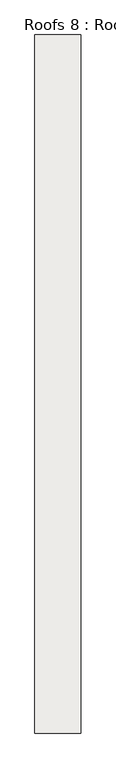
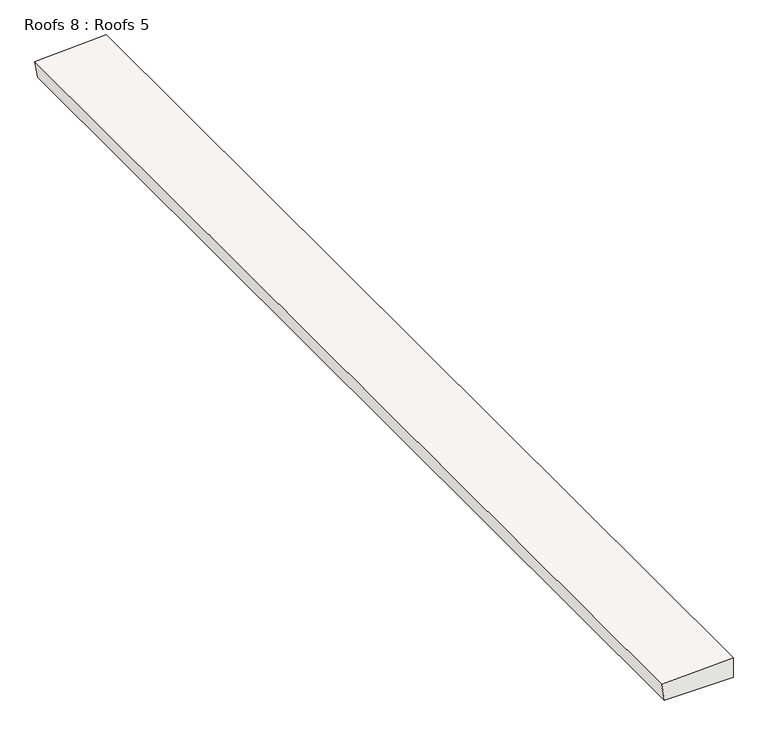
"""IFC4 building model written with IfcOpenShell, lengths in millimetres: roof geometry, Roofs 8 : Roofs 5."""

from ifc_helpers import new_model, si_unit, frame, origin, place, context, project, spatial, polyline, outline, extrude, source, transform, mapped, element, save


def roofs_8_roofs_5_c29686f7(model_context):
    return source(origin(), model_context, "Body", "SweptSolid", [
        extrude(outline(polyline([(-1721.0068927, -12602.1969605), (-1606.7068927, -12602.1969605), (-1624.1593373, -12991.4760789), (-1721.0068927, -12976.136933), (-1721.0068927, -12602.1969605)])), frame((0.0, 21005.1546066, 0.0), z_axis=(0.0, 1.0, 0.0), x_axis=(0.0, 0.0, 1.0)), (0.0, 0.0, 1.0), 5915.1935006),
    ])


if __name__ == "__main__":
    model = new_model("IFC4")
    model_context = context("Model", 3, world=origin())
    ifc_project = project(units=[si_unit("LENGTHUNIT", "METRE", prefix="MILLI")], contexts=[model_context])
    site = spatial("IfcSite", under=ifc_project)
    building = spatial("IfcBuilding", under=site)
    placement = place(None, origin())
    roofs_8_roofs_5_shape = roofs_8_roofs_5_c29686f7(model_context)
    element("IfcRoof", 1, ObjectType="Roofs 8 : Roofs 5", at=placement, inside=building, context=model_context, shape_type="MappedRepresentation", body=[
        mapped(roofs_8_roofs_5_shape, transform((0.0, 0.0, 0.0), x_axis=(1.0, 0.0, 0.0), y_axis=(0.0, 1.0, 0.0), z_axis=(0.0, 0.0, 1.0))),
    ])
    save(model, "model.ifc")
